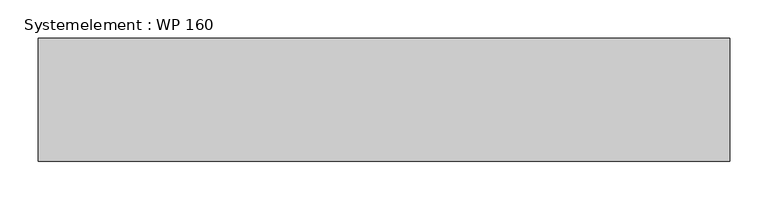
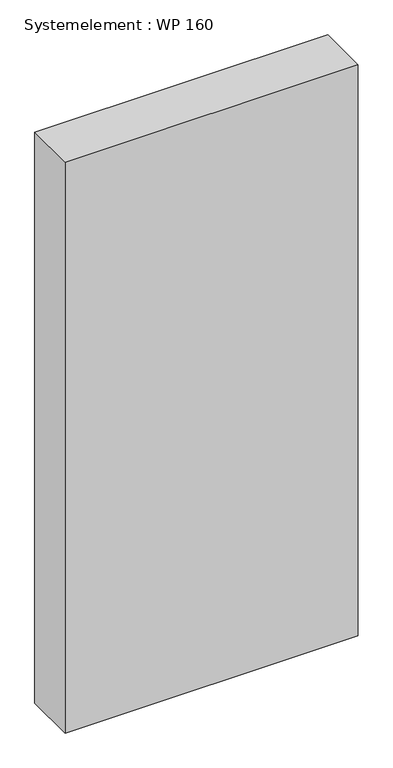
"""IFC4 building model written with IfcOpenShell, lengths in millimetres: plate geometry, Systemelement : WP 160."""

import ifcopenshell
import ifcopenshell.guid

model = None  # the IFC model being written
_history = None  # IfcOwnerHistory: only IFC2X3 demands one
_inside = {}  # id of a spatial element -> (the spatial element, [elements in it])
_under = {}  # id of a project, library or spatial element -> (it, [spatial elements below it])
_declared = {}  # id of a project -> (the project, [libraries it declares])
_typed = {}  # id of a type object -> (the type object, [elements of that type])
_made_of = {}  # id of a material, layer set ... -> (it, [elements and type objects made of it])


def new_model(schema):
    """Start an empty IFC model of exactly this schema.

    Asked for "IFC4X3", IfcOpenShell would pick the latest addendum, in which some entities
    have other attributes; the version numbers below select the first issue.
    IFC2X3 requires an IfcOwnerHistory on every rooted entity: one is made here for all.
    """
    global model, _history
    if schema == "IFC4X3":
        model = ifcopenshell.file(schema_version=(4, 3, 0, 0))
    else:
        model = ifcopenshell.file(schema=schema)
    _inside.clear()
    _under.clear()
    _declared.clear()
    _typed.clear()
    _made_of.clear()
    _history = None
    if model.schema == "IFC2X3":
        org = make("IfcOrganization", Name="unknown")
        user = make(
            "IfcPersonAndOrganization",
            ThePerson=make("IfcPerson", FamilyName="unknown"),
            TheOrganization=org,
        )
        app = make(
            "IfcApplication",
            ApplicationDeveloper=org,
            Version="unknown",
            ApplicationFullName="unknown",
            ApplicationIdentifier="unknown",
        )
        _history = make(
            "IfcOwnerHistory",
            OwningUser=user,
            OwningApplication=app,
            ChangeAction="ADDED",
            CreationDate=0,
        )
    return model


def make(cls, **values):
    """One entity of the class cls with the attributes given. An attribute that is None is left unset."""
    return model.create_entity(
        cls, **{name: value for name, value in values.items() if value is not None}
    )


def rooted(cls, **values):
    """An entity with a GlobalId (a new one), such as an element, a storey or a relation."""
    return make(cls, GlobalId=ifcopenshell.guid.new(), OwnerHistory=_history, **values)


def si_unit(unit_type, name, prefix=None):
    """IfcSIUnit, for example si_unit("LENGTHUNIT", "METRE", prefix="MILLI")."""
    return make("IfcSIUnit", UnitType=unit_type, Prefix=prefix, Name=name)


def assignment(units):
    """IfcUnitAssignment: the units of a project."""
    return None if units is None else make("IfcUnitAssignment", Units=units)


def point(xyz):
    """IfcCartesianPoint."""
    return None if xyz is None else make("IfcCartesianPoint", Coordinates=xyz)


def direction(xyz):
    """IfcDirection."""
    return None if xyz is None else make("IfcDirection", DirectionRatios=xyz)


def frame(location, z_axis=None, x_axis=None):
    """IfcAxis2Placement3D, a coordinate frame: its origin and axes. An axis left out is left unset."""
    return make(
        "IfcAxis2Placement3D",
        Location=point(location),
        Axis=direction(z_axis),
        RefDirection=direction(x_axis),
    )


def origin():
    """The frame at (0, 0, 0) with its axes left unset."""
    return frame((0.0, 0.0, 0.0))


def origin_with_axes():
    """The frame at (0, 0, 0) with the z axis (0, 0, 1) and the x axis (1, 0, 0) written out."""
    return frame((0.0, 0.0, 0.0), z_axis=(0.0, 0.0, 1.0), x_axis=(1.0, 0.0, 0.0))


def place(relative_to, where):
    """IfcLocalPlacement: puts the frame where relative to a parent placement (None: the world)."""
    return make(
        "IfcLocalPlacement", PlacementRelTo=relative_to, RelativePlacement=where
    )


def context(
    kind, dimensions, precision=None, world=None, true_north=None, identifier=None
):
    """IfcGeometricRepresentationContext, for example the 3D "Model" context."""
    return make(
        "IfcGeometricRepresentationContext",
        ContextIdentifier=identifier,
        ContextType=kind,
        CoordinateSpaceDimension=dimensions,
        Precision=precision,
        WorldCoordinateSystem=world,
        TrueNorth=true_north,
    )


def project(units=None, contexts=None):
    """IfcProject with its units and contexts."""
    return rooted(
        "IfcProject",
        Name="project",
        RepresentationContexts=contexts,
        UnitsInContext=assignment(units),
    )


def spatial(cls, under=None, at=None, **own):
    """A site, building, storey or space (cls), placed at a placement, below another one or the project."""
    s = rooted(cls, ObjectPlacement=at, **own)
    if under is not None:
        _under.setdefault(under.id(), (under, []))[1].append(s)
    return s


def polyline(points):
    """IfcPolyline through the points."""
    return make("IfcPolyline", Points=[point(p) for p in points])


def outline(outer, holes=None, kind="AREA"):
    """IfcArbitraryClosedProfileDef: a profile drawn as a closed curve; with holes, ...WithVoids."""
    if holes is None:
        return make("IfcArbitraryClosedProfileDef", ProfileType=kind, OuterCurve=outer)
    return make(
        "IfcArbitraryProfileDefWithVoids",
        ProfileType=kind,
        OuterCurve=outer,
        InnerCurves=holes,
    )


def extrude(swept, where, along, depth):
    """IfcExtrudedAreaSolid: the profile swept, set in the frame where, extruded along a direction by depth."""
    return make(
        "IfcExtrudedAreaSolid",
        SweptArea=swept,
        Position=where,
        ExtrudedDirection=direction(along),
        Depth=depth,
    )


def shape(context_of_items, identifier, shape_type, items):
    """IfcShapeRepresentation: the items that make up one representation, for example the "Body"."""
    return make(
        "IfcShapeRepresentation",
        ContextOfItems=context_of_items,
        RepresentationIdentifier=identifier,
        RepresentationType=shape_type,
        Items=items,
    )


def source(mapping_origin, context_of_items, identifier, shape_type, items):
    """IfcRepresentationMap: a shape defined once, which mapped items show again and again."""
    return make(
        "IfcRepresentationMap",
        MappingOrigin=mapping_origin,
        MappedRepresentation=shape(context_of_items, identifier, shape_type, items),
    )


def transform(
    local_origin,
    x_axis=None,
    y_axis=None,
    z_axis=None,
    scale=None,
    scale2=None,
    scale3=None,
    uniform=True,
):
    """IfcCartesianTransformationOperator3D, or its non-uniform kind. x_axis, y_axis, z_axis: its Axis1, 2, 3."""
    if uniform:
        return make(
            "IfcCartesianTransformationOperator3D",
            Axis1=direction(x_axis),
            Axis2=direction(y_axis),
            LocalOrigin=point(local_origin),
            Scale=scale,
            Axis3=direction(z_axis),
        )
    return make(
        "IfcCartesianTransformationOperator3DnonUniform",
        Axis1=direction(x_axis),
        Axis2=direction(y_axis),
        LocalOrigin=point(local_origin),
        Scale=scale,
        Axis3=direction(z_axis),
        Scale2=scale2,
        Scale3=scale3,
    )


def mapped(mapping_source, mapping_target):
    """IfcMappedItem: shows the shape of a source again, moved by a transform."""
    return make(
        "IfcMappedItem", MappingSource=mapping_source, MappingTarget=mapping_target
    )


def made_of(thing, what):
    """Note that an element or type object is made of a material, layer set ...; save() writes the relation."""
    if what is not None:
        _made_of.setdefault(what.id(), (what, []))[1].append(thing)
    return thing


def element(
    cls,
    number,
    at=None,
    inside=None,
    cuts=None,
    type_object=None,
    material=None,
    context=None,
    identifier="Body",
    shape_type=None,
    held_by="IfcProductDefinitionShape",
    body=None,
    shapes=None,
    **own,
):
    """One element of the class cls, such as IfcWall. Its Tag is "e" and its number.

    at: its placement. inside: the storey or other place that contains it. cuts: it is an
    opening in that element (IfcRelVoidsElement). A single representation is given by context,
    identifier, shape_type and body (its items); several are given by shapes. held_by: the class
    of the entity that holds the representations. save() writes the other relations.
    """
    e = rooted(cls, Tag="e%d" % number, ObjectPlacement=at, **own)
    if body is not None:
        shapes = [shape(context, identifier, shape_type, body)]
    if shapes is not None:
        e.Representation = make(held_by, Representations=shapes)
    if inside is not None:
        _inside.setdefault(inside.id(), (inside, []))[1].append(e)
    if cuts is not None:
        rooted(
            "IfcRelVoidsElement", RelatingBuildingElement=cuts, RelatedOpeningElement=e
        )
    if type_object is not None:
        _typed.setdefault(type_object.id(), (type_object, []))[1].append(e)
    return made_of(e, material)


def aggregate(whole, parts):
    """IfcRelAggregates: a whole, such as a stair, and the parts it consists of."""
    return rooted("IfcRelAggregates", RelatingObject=whole, RelatedObjects=parts)


def save(model, path):
    """Write the relations noted so far, then the file.

    IfcRelAggregates (storeys below a building ...), IfcRelContainedInSpatialStructure (elements
    in a storey), IfcRelDefinesByType, IfcRelAssociatesMaterial and IfcRelDeclares: one each for
    every whole, place, type object, material and project.
    """
    for whole, parts in _under.values():
        aggregate(whole, parts)
    for where, things in _inside.values():
        rooted(
            "IfcRelContainedInSpatialStructure",
            RelatedElements=things,
            RelatingStructure=where,
        )
    for kind, things in _typed.values():
        rooted("IfcRelDefinesByType", RelatedObjects=things, RelatingType=kind)
    for what, things in _made_of.values():
        rooted("IfcRelAssociatesMaterial", RelatedObjects=things, RelatingMaterial=what)
    for by, libraries in _declared.values():
        rooted("IfcRelDeclares", RelatingContext=by, RelatedDefinitions=libraries)
    model.write(path)


def systemelement_wp_160_75a5a0cd(model_context):
    return source(origin(), model_context, "Body", "SweptSolid", [
        extrude(outline(polyline([(450.0, -160.0), (-450.0, -160.0), (-450.0, 0.0), (450.0, 0.0), (450.0, -160.0)])), origin_with_axes(), (0.0, 0.0, 1.0), 1851.6147161),
    ])


if __name__ == "__main__":
    model = new_model("IFC4")
    model_context = context("Model", 3, world=origin())
    ifc_project = project(units=[si_unit("LENGTHUNIT", "METRE", prefix="MILLI")], contexts=[model_context])
    site = spatial("IfcSite", under=ifc_project)
    building = spatial("IfcBuilding", under=site)
    placement = place(None, origin())
    systemelement_wp_160_shape = systemelement_wp_160_75a5a0cd(model_context)
    element("IfcPlate", 1, ObjectType="Systemelement : WP 160", at=placement, inside=building, context=model_context, shape_type="MappedRepresentation", body=[
        mapped(systemelement_wp_160_shape, transform((0.0, 0.0, 0.0), x_axis=(1.0, 0.0, 0.0), y_axis=(0.0, 1.0, 0.0), z_axis=(0.0, 0.0, 1.0))),
    ])
    save(model, "model.ifc")
